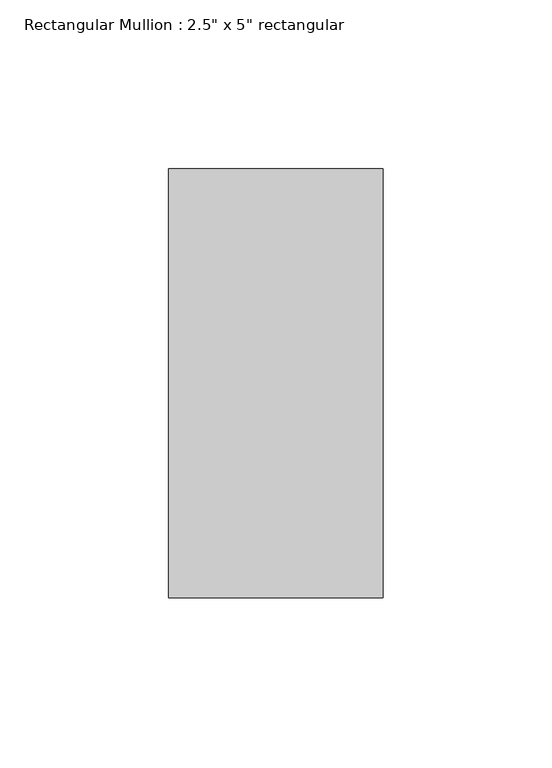
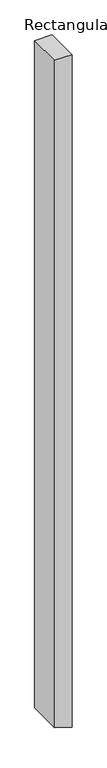
"""IFC4 building model written with IfcOpenShell, lengths in millimetres: member geometry."""

from ifc_helpers import new_model, si_unit, frame, origin, place, context, project, spatial, polyline, outline, extrude, source, transform, mapped, element, save


def member_2bd7b7db(model_context):
    return source(origin(), model_context, "Body", "SweptSolid", [
        extrude(outline(polyline([(0.0, 31.75), (0.0, -31.75), (-2593.3682586, -31.75), (-2610.2636275, 19.7828002), (-2614.187153, 31.75), (0.0, 31.75)])), frame((0.0, -63.5, 0.0), z_axis=(0.0, 1.0, 0.0), x_axis=(0.0, 0.0, 1.0)), (0.0, 0.0, 1.0), 127.0),
    ])


if __name__ == "__main__":
    model = new_model("IFC4")
    model_context = context("Model", 3, world=origin())
    ifc_project = project(units=[si_unit("LENGTHUNIT", "METRE", prefix="MILLI")], contexts=[model_context])
    site = spatial("IfcSite", under=ifc_project)
    building = spatial("IfcBuilding", under=site)
    placement = place(None, origin())
    member_shape = member_2bd7b7db(model_context)
    element("IfcMember", 1, ObjectType="Rectangular Mullion : 2.5\" x 5\" rectangular", at=placement, inside=building, context=model_context, shape_type="MappedRepresentation", body=[
        mapped(member_shape, transform((0.0, 0.0, 0.0), x_axis=(1.0, 0.0, 0.0), y_axis=(0.0, 1.0, 0.0), z_axis=(0.0, 0.0, 1.0))),
    ])
    save(model, "model.ifc")
